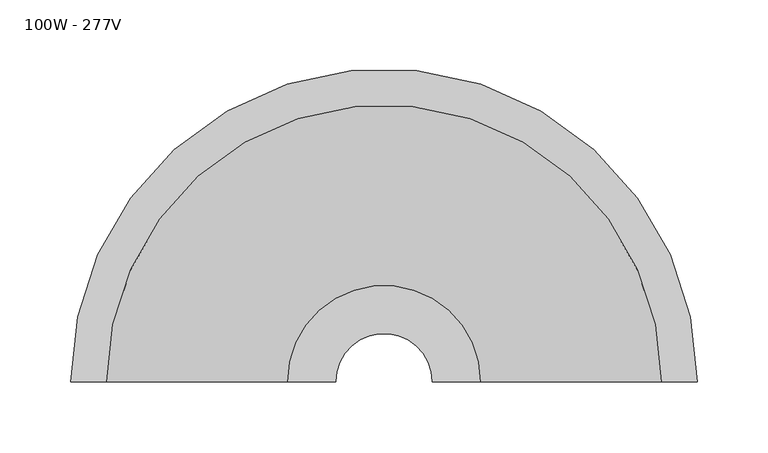
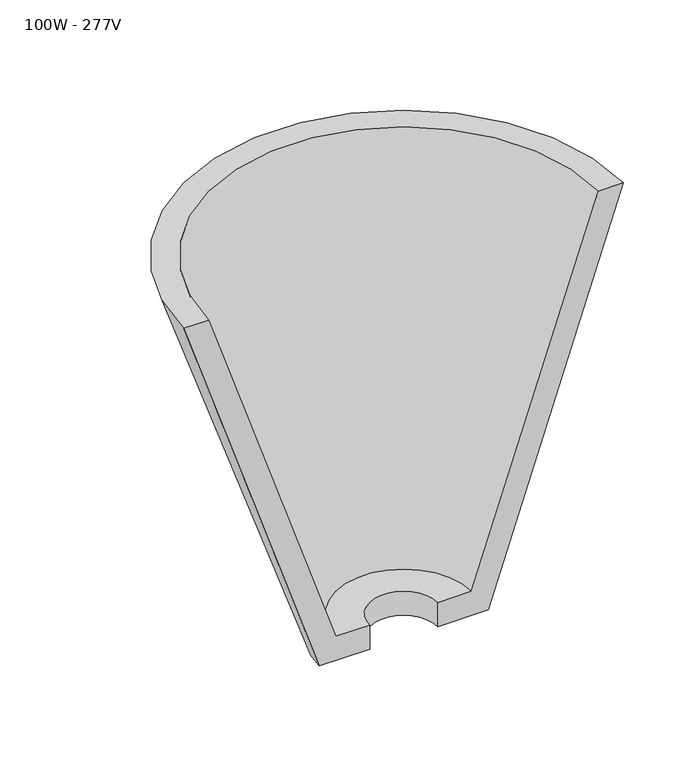
"""IFC4 building model written with IfcOpenShell, lengths in millimetres: light fixture geometry, 100W - 277V."""

from ifc_helpers import new_model, si_unit, frame, origin, place, context, project, spatial, polyline, circle_curve, source, transform, mapped, element, save
from ifc_brep_helpers import plane_surface, revolved_surface, advanced_brep


def light_fixture_100w_277v_da5f3668(model_context):
    return source(origin(), model_context, "Body", "AdvancedBrep", [
        advanced_brep(
        [(-221.2056669, 100.0, 2103.2), (-85.0253975, 100.0, 1696.8), (-34.2253975, 100.0, 1696.8), (-34.2253975, 100.0, 1722.2), (-68.1366644, 100.0, 1722.2), (-195.8056669, 100.0, 2103.2), (221.2056669, 100.0, 2103.2), (195.8056669, 100.0, 2103.2), (68.1366644, 100.0, 1722.2), (34.2253975, 100.0, 1722.2), (34.2253975, 100.0, 1696.8), (85.0253975, 100.0, 1696.8)],
        [
            (0, 1),
            (1, 2),
            (2, 3),
            (3, 4),
            (4, 5),
            (5, 0),
            (6, 7),
            (7, 8),
            (8, 9),
            (9, 10),
            (10, 11),
            (11, 6),
            (11, 1, circle_curve(frame((0.0, 100.0, 1696.8), z_axis=(0.0, 0.0, 1.0), x_axis=(-1.0, 0.0, 0.0)), 85.0253975)),
            (0, 6, circle_curve(frame((0.0, 100.0, 2103.2), z_axis=(0.0, 0.0, -1.0), x_axis=(-1.0, 0.0, 0.0)), 221.2056669)),
            (10, 2, circle_curve(frame((0.0, 100.0, 1696.8), z_axis=(0.0, 0.0, 1.0), x_axis=(-1.0, 0.0, 0.0)), 34.2253975)),
            (9, 3, circle_curve(frame((0.0, 100.0, 1722.2), z_axis=(0.0, 0.0, 1.0), x_axis=(-1.0, 0.0, 0.0)), 34.2253975)),
            (8, 4, circle_curve(frame((0.0, 100.0, 1722.2), z_axis=(0.0, 0.0, 1.0), x_axis=(-1.0, 0.0, 0.0)), 68.1366644)),
            (7, 5, circle_curve(frame((0.0, 100.0, 2103.2), z_axis=(0.0, 0.0, 1.0), x_axis=(-1.0, 0.0, 0.0)), 195.8056669)),
        ],
        [
            plane_surface(frame((0.0, 100.0, 1936.774367), z_axis=(0.0, -1.0, 0.0), x_axis=(-1.0, 0.0, 0.0))),
            plane_surface(frame((0.0, 100.0, 1936.774367), z_axis=(0.0, -1.0, 0.0), x_axis=(1.0, 0.0, 0.0))),
            revolved_surface(polyline([(-221.2056669, 100.0, 2103.2), (-85.0253975, 100.0, 1696.8)]), (0.0, 100.0, 1936.774367), (0.0, 0.0, -1.0)),
            plane_surface(frame((0.0, 100.0, 1696.8), z_axis=(0.0, 0.0, -1.0), x_axis=(-1.0, 0.0, 0.0))),
            revolved_surface(polyline([(-34.2253975, 100.0, 1696.8), (-34.2253975, 100.0, 1722.2)]), (0.0, 100.0, 1936.774367), (0.0, 0.0, -1.0)),
            plane_surface(frame((0.0, 100.0, 1722.2), z_axis=(0.0, 0.0, 1.0), x_axis=(-1.0, 0.0, 0.0))),
            revolved_surface(polyline([(-68.1366644, 100.0, 1722.2), (-195.8056669, 100.0, 2103.2)]), (0.0, 100.0, 1936.774367), (0.0, 0.0, -1.0)),
            plane_surface(frame((0.0, 100.0, 2103.2), z_axis=(0.0, 0.0, 1.0), x_axis=(-1.0, 0.0, 0.0))),
        ],
        [
            (0, [[1, 2, 3, 4, 5, 6]]),
            (1, [[7, 8, 9, 10, 11, 12]]),
            (2, [[13, -1, 14, -12]]),
            (3, [[15, -2, -13, -11]]),
            (4, [[16, -3, -15, -10]]),
            (5, [[17, -4, -16, -9]]),
            (6, [[18, -5, -17, -8]]),
            (7, [[-14, -6, -18, -7]]),
        ],
    ),
    ])


if __name__ == "__main__":
    model = new_model("IFC4")
    model_context = context("Model", 3, world=origin())
    ifc_project = project(units=[si_unit("LENGTHUNIT", "METRE", prefix="MILLI")], contexts=[model_context])
    site = spatial("IfcSite", under=ifc_project)
    building = spatial("IfcBuilding", under=site)
    placement = place(None, origin())
    light_fixture_100w_277v_shape = light_fixture_100w_277v_da5f3668(model_context)
    element("IfcLightFixture", 1, ObjectType="100W - 277V", at=placement, inside=building, context=model_context, shape_type="MappedRepresentation", body=[
        mapped(light_fixture_100w_277v_shape, transform((0.0, 0.0, 0.0), x_axis=(1.0, 0.0, 0.0), y_axis=(0.0, 1.0, 0.0), z_axis=(0.0, 0.0, 1.0))),
    ])
    save(model, "model.ifc")
